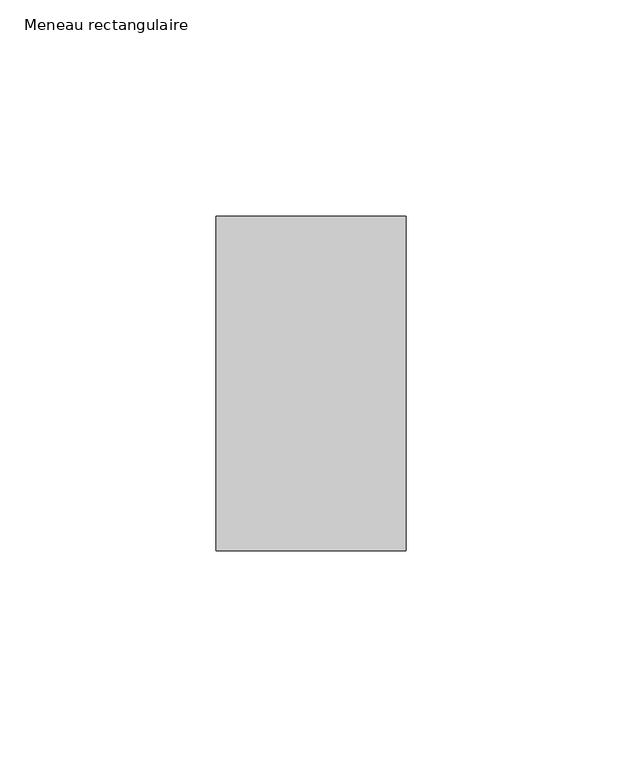
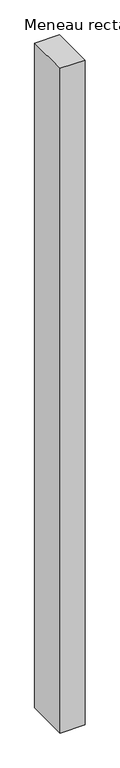
"""IFC4 building model written with IfcOpenShell, lengths in millimetres: member geometry, Meneau rectangulaire."""

from ifc_helpers import new_model, si_unit, frame, origin, place, context, project, spatial, polyline, outline, extrude, source, transform, mapped, element, save


def meneau_rectangulaire_15749177(model_context):
    return source(origin(), model_context, "Body", "SweptSolid", [
        extrude(outline(polyline([(-44.0, 38.75), (0.0, 38.75), (0.0, -38.75), (-44.0, -38.75), (-44.0, 38.75)])), frame((0.0, 0.0, -1234.8749998), z_axis=(0.0, 0.0, 1.0), x_axis=(1.0, 0.0, 0.0)), (0.0, 0.0, 1.0), 1234.8749998),
    ])


if __name__ == "__main__":
    model = new_model("IFC4")
    model_context = context("Model", 3, world=origin())
    ifc_project = project(units=[si_unit("LENGTHUNIT", "METRE", prefix="MILLI")], contexts=[model_context])
    site = spatial("IfcSite", under=ifc_project)
    building = spatial("IfcBuilding", under=site)
    placement = place(None, origin())
    meneau_rectangulaire_shape = meneau_rectangulaire_15749177(model_context)
    element("IfcMember", 1, ObjectType="Meneau rectangulaire", at=placement, inside=building, context=model_context, shape_type="MappedRepresentation", body=[
        mapped(meneau_rectangulaire_shape, transform((0.0, 0.0, 0.0), x_axis=(1.0, 0.0, 0.0), y_axis=(0.0, 1.0, 0.0), z_axis=(0.0, 0.0, 1.0))),
    ])
    save(model, "model.ifc")
